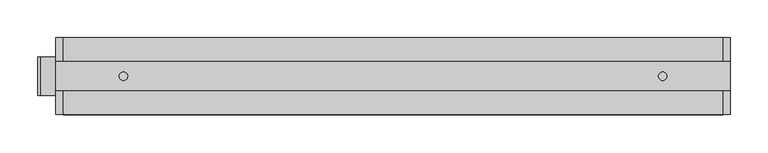
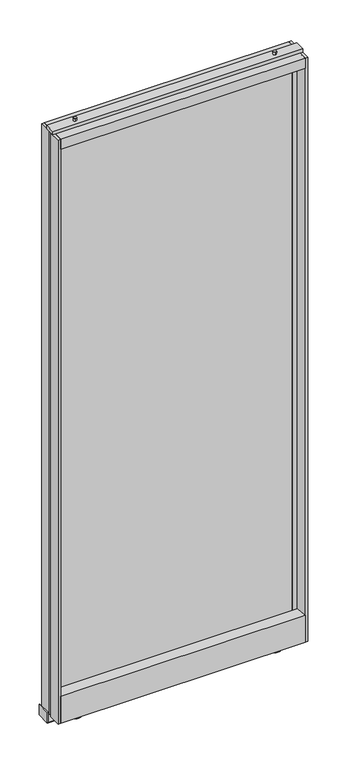
"""IFC4 building model written with IfcOpenShell, lengths in millimetres: furniture geometry."""

from ifc_helpers import new_model, si_unit, point, frame, frame_2d, origin, origin_with_axes, place, context, project, spatial, polyline, circle_curve, trimmed, segment, composite_curve, outline, extrude, source, transform, mapped, element, save


def furniture_9215b46f(model_context):
    return source(origin(), model_context, "Body", "SweptSolid", [
        extrude(outline(composite_curve([segment(trimmed(circle_curve(frame_2d((139.700003, 0.0)), 23.7499993), [point((115.9500038, 0.0))], [point((163.4500023, 0.0))], False, "CARTESIAN"), True, "CONTINUOUS"), segment(trimmed(circle_curve(frame_2d((139.700003, 0.0)), 23.7499993), [point((163.4500023, 0.0))], [point((115.9500038, 0.0))], False, "CARTESIAN"), True, "CONTINUOUS")], self_intersect=False)), origin_with_axes(), (0.0, 0.0, 1.0), 25.146001),
        extrude(outline(composite_curve([segment(trimmed(circle_curve(frame_2d((850.8999879, 0.0)), 23.7499993), [point((827.1499886, 0.0))], [point((874.6499872, 0.0))], False, "CARTESIAN"), True, "CONTINUOUS"), segment(trimmed(circle_curve(frame_2d((850.8999879, 0.0)), 23.7499993), [point((874.6499872, 0.0))], [point((827.1499886, 0.0))], False, "CARTESIAN"), True, "CONTINUOUS")], self_intersect=False)), origin_with_axes(), (0.0, 0.0, 1.0), 25.146001),
        extrude(outline(composite_curve([segment(trimmed(circle_curve(frame_2d((139.700003, 0.0)), 5.5562498), [point((139.700003, 5.5562498))], [point((139.700003, -5.5562498))], False, "CARTESIAN"), True, "CONTINUOUS"), segment(trimmed(circle_curve(frame_2d((139.700003, 0.0)), 5.5562498), [point((139.700003, -5.5562498))], [point((139.700003, 5.5562498))], False, "CARTESIAN"), True, "CONTINUOUS")], self_intersect=False)), frame((0.0, 0.0, 2234.9460097), z_axis=(0.0, 0.0, 1.0), x_axis=(1.0, 0.0, 0.0)), (0.0, 0.0, 1.0), 10.1599903),
        extrude(outline(composite_curve([segment(trimmed(circle_curve(frame_2d((850.8999879, 0.0)), 5.5562498), [point((850.8999879, 5.5562498))], [point((850.8999879, -5.5562498))], False, "CARTESIAN"), True, "CONTINUOUS"), segment(trimmed(circle_curve(frame_2d((850.8999879, 0.0)), 5.5562498), [point((850.8999879, -5.5562498))], [point((850.8999879, 5.5562498))], False, "CARTESIAN"), True, "CONTINUOUS")], self_intersect=False)), frame((0.0, 0.0, 2234.9460097), z_axis=(0.0, 0.0, 1.0), x_axis=(1.0, 0.0, 0.0)), (0.0, 0.0, 1.0), 10.1599903),
        extrude(outline(polyline([(908.0846151, 7.9374998), (908.0846151, -7.9374998), (82.5153849, -7.9374998), (82.5153849, 7.9374998), (908.0846151, 7.9374998)])), frame((0.0, 0.0, 126.7459972), z_axis=(0.0, 0.0, 1.0), x_axis=(1.0, 0.0, 0.0)), (0.0, 0.0, 1.0), 2067.8139602),
        extrude(outline(polyline([(60.3250015, -50.8), (60.3250015, 50.8), (930.2749758, 50.8), (930.2749758, -50.8), (60.3250015, -50.8)])), frame((0.0, 0.0, 25.146001), z_axis=(0.0, 0.0, 1.0), x_axis=(1.0, 0.0, 0.0)), (0.0, 0.0, 1.0), 101.5999962),
        extrude(outline(polyline([(60.3250015, -50.8), (60.3250015, 50.8), (930.2749758, 50.8), (930.2749758, -50.8), (60.3250015, -50.8)])), frame((0.0, 0.0, 2184.1460581), z_axis=(0.0, 0.0, 1.0), x_axis=(1.0, 0.0, 0.0)), (0.0, 0.0, 1.0), 38.1),
        extrude(outline(polyline([(50.8, -19.05), (50.8, 19.05), (939.8, 19.05), (939.8, -19.05), (50.8, -19.05)])), frame((0.0, 0.0, 2222.2460581), z_axis=(0.0, 0.0, 1.0), x_axis=(1.0, 0.0, 0.0)), (0.0, 0.0, 1.0), 12.6999516),
        extrude(outline(polyline([(60.3250015, 50.8), (64.0749816, 7.9374998), (82.5153849, 7.9374998), (82.5153849, -7.9374998), (64.0749816, -7.9374998), (60.3250014, -50.8), (50.8, -50.8), (50.8, -7.112), (57.15, -7.112), (57.15, 7.112), (50.8, 7.112), (50.8, 50.8), (60.3250015, 50.8)])), frame((0.0, 0.0, 25.146001), z_axis=(0.0, 0.0, 1.0), x_axis=(1.0, 0.0, 0.0)), (0.0, 0.0, 1.0), 2197.1000571),
        extrude(outline(polyline([(939.8, -7.112), (939.8, -50.8), (930.2749758, -50.8), (926.5249866, -7.9374998), (908.0846151, -7.9374998), (908.0846151, 7.9374998), (926.5249866, 7.9374998), (930.2749758, 50.8), (939.8, 50.8), (939.8, 7.112), (933.45, 7.112), (933.45, -7.112), (939.8, -7.112)])), frame((0.0, 0.0, 25.146001), z_axis=(0.0, 0.0, 1.0), x_axis=(1.0, 0.0, 0.0)), (0.0, 0.0, 1.0), 2197.1000571),
        extrude(outline(polyline([(61.7855001, 30.0355009), (61.7855001, 26.9874992), (22.0979994, 26.9874992), (22.0979994, 177.7999939), (25.146001, 177.7999939), (25.146001, 30.0355009), (61.7855001, 30.0355009)])), frame((0.0, -25.4, 0.0), z_axis=(0.0, 1.0, 0.0), x_axis=(0.0, 0.0, 1.0)), (0.0, 0.0, 1.0), 50.8),
    ])


if __name__ == "__main__":
    model = new_model("IFC4")
    model_context = context("Model", 3, world=origin())
    ifc_project = project(units=[si_unit("LENGTHUNIT", "METRE", prefix="MILLI")], contexts=[model_context])
    site = spatial("IfcSite", under=ifc_project)
    building = spatial("IfcBuilding", under=site)
    placement = place(None, origin())
    furniture_shape = furniture_9215b46f(model_context)
    element("IfcFurniture", 1, at=placement, inside=building, context=model_context, shape_type="MappedRepresentation", body=[
        mapped(furniture_shape, transform((0.0, 0.0, 0.0), x_axis=(1.0, 0.0, 0.0), y_axis=(0.0, 1.0, 0.0), z_axis=(0.0, 0.0, 1.0))),
    ])
    save(model, "model.ifc")
